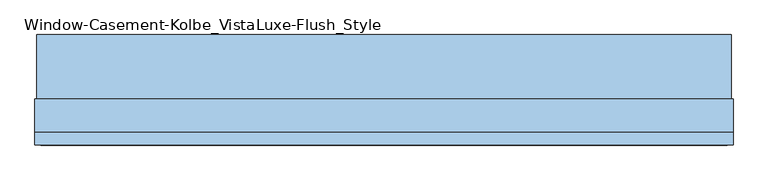
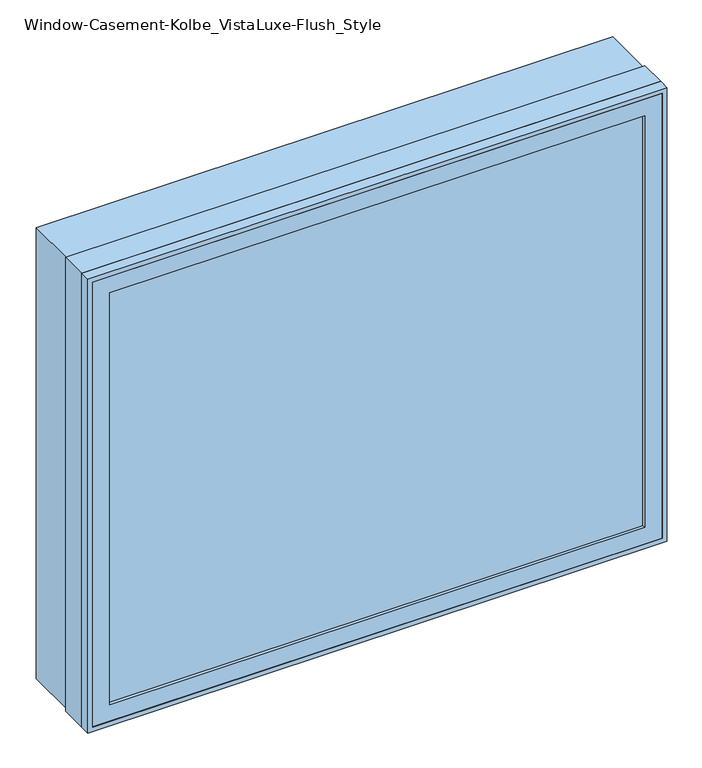
"""IFC4 building model written with IfcOpenShell, lengths in millimetres: window geometry, Window-Casement-Kolbe_VistaLuxe-Flush_Style."""

import ifcopenshell
import ifcopenshell.guid

model = None  # the IFC model being written
_history = None  # IfcOwnerHistory: only IFC2X3 demands one
_inside = {}  # id of a spatial element -> (the spatial element, [elements in it])
_under = {}  # id of a project, library or spatial element -> (it, [spatial elements below it])
_declared = {}  # id of a project -> (the project, [libraries it declares])
_typed = {}  # id of a type object -> (the type object, [elements of that type])
_made_of = {}  # id of a material, layer set ... -> (it, [elements and type objects made of it])


def new_model(schema):
    """Start an empty IFC model of exactly this schema.

    Asked for "IFC4X3", IfcOpenShell would pick the latest addendum, in which some entities
    have other attributes; the version numbers below select the first issue.
    IFC2X3 requires an IfcOwnerHistory on every rooted entity: one is made here for all.
    """
    global model, _history
    if schema == "IFC4X3":
        model = ifcopenshell.file(schema_version=(4, 3, 0, 0))
    else:
        model = ifcopenshell.file(schema=schema)
    _inside.clear()
    _under.clear()
    _declared.clear()
    _typed.clear()
    _made_of.clear()
    _history = None
    if model.schema == "IFC2X3":
        org = make("IfcOrganization", Name="unknown")
        user = make(
            "IfcPersonAndOrganization",
            ThePerson=make("IfcPerson", FamilyName="unknown"),
            TheOrganization=org,
        )
        app = make(
            "IfcApplication",
            ApplicationDeveloper=org,
            Version="unknown",
            ApplicationFullName="unknown",
            ApplicationIdentifier="unknown",
        )
        _history = make(
            "IfcOwnerHistory",
            OwningUser=user,
            OwningApplication=app,
            ChangeAction="ADDED",
            CreationDate=0,
        )
    return model


def make(cls, **values):
    """One entity of the class cls with the attributes given. An attribute that is None is left unset."""
    return model.create_entity(
        cls, **{name: value for name, value in values.items() if value is not None}
    )


def rooted(cls, **values):
    """An entity with a GlobalId (a new one), such as an element, a storey or a relation."""
    return make(cls, GlobalId=ifcopenshell.guid.new(), OwnerHistory=_history, **values)


def si_unit(unit_type, name, prefix=None):
    """IfcSIUnit, for example si_unit("LENGTHUNIT", "METRE", prefix="MILLI")."""
    return make("IfcSIUnit", UnitType=unit_type, Prefix=prefix, Name=name)


def assignment(units):
    """IfcUnitAssignment: the units of a project."""
    return None if units is None else make("IfcUnitAssignment", Units=units)


def point(xyz):
    """IfcCartesianPoint."""
    return None if xyz is None else make("IfcCartesianPoint", Coordinates=xyz)


def direction(xyz):
    """IfcDirection."""
    return None if xyz is None else make("IfcDirection", DirectionRatios=xyz)


def frame(location, z_axis=None, x_axis=None):
    """IfcAxis2Placement3D, a coordinate frame: its origin and axes. An axis left out is left unset."""
    return make(
        "IfcAxis2Placement3D",
        Location=point(location),
        Axis=direction(z_axis),
        RefDirection=direction(x_axis),
    )


def origin():
    """The frame at (0, 0, 0) with its axes left unset."""
    return frame((0.0, 0.0, 0.0))


def place(relative_to, where):
    """IfcLocalPlacement: puts the frame where relative to a parent placement (None: the world)."""
    return make(
        "IfcLocalPlacement", PlacementRelTo=relative_to, RelativePlacement=where
    )


def context(
    kind, dimensions, precision=None, world=None, true_north=None, identifier=None
):
    """IfcGeometricRepresentationContext, for example the 3D "Model" context."""
    return make(
        "IfcGeometricRepresentationContext",
        ContextIdentifier=identifier,
        ContextType=kind,
        CoordinateSpaceDimension=dimensions,
        Precision=precision,
        WorldCoordinateSystem=world,
        TrueNorth=true_north,
    )


def project(units=None, contexts=None):
    """IfcProject with its units and contexts."""
    return rooted(
        "IfcProject",
        Name="project",
        RepresentationContexts=contexts,
        UnitsInContext=assignment(units),
    )


def spatial(cls, under=None, at=None, **own):
    """A site, building, storey or space (cls), placed at a placement, below another one or the project."""
    s = rooted(cls, ObjectPlacement=at, **own)
    if under is not None:
        _under.setdefault(under.id(), (under, []))[1].append(s)
    return s


def polyline(points):
    """IfcPolyline through the points."""
    return make("IfcPolyline", Points=[point(p) for p in points])


def outline(outer, holes=None, kind="AREA"):
    """IfcArbitraryClosedProfileDef: a profile drawn as a closed curve; with holes, ...WithVoids."""
    if holes is None:
        return make("IfcArbitraryClosedProfileDef", ProfileType=kind, OuterCurve=outer)
    return make(
        "IfcArbitraryProfileDefWithVoids",
        ProfileType=kind,
        OuterCurve=outer,
        InnerCurves=holes,
    )


def extrude(swept, where, along, depth):
    """IfcExtrudedAreaSolid: the profile swept, set in the frame where, extruded along a direction by depth."""
    return make(
        "IfcExtrudedAreaSolid",
        SweptArea=swept,
        Position=where,
        ExtrudedDirection=direction(along),
        Depth=depth,
    )


def faces_of(points, faces, orient=None, outer=None):
    """IfcFace entities. A face is a list of loops; a loop is a list of indices into points, from 0.

    orient and outer hold one flag for each loop. By default every Orientation is true, the
    first loop of a face is its IfcFaceOuterBound and the others are IfcFaceBound.
    """
    made = []
    for i, loops in enumerate(faces):
        bounds = []
        for j, loop in enumerate(loops):
            is_outer = j == 0 if outer is None else outer[i][j]
            bounds.append(
                make(
                    "IfcFaceOuterBound" if is_outer else "IfcFaceBound",
                    Bound=make("IfcPolyLoop", Polygon=[points[k] for k in loop]),
                    Orientation=True if orient is None else orient[i][j],
                )
            )
        made.append(make("IfcFace", Bounds=bounds))
    return made


def faceted_brep(points, faces, orient=None, outer=None, voids=None):
    """IfcFacetedBrep: a solid bounded by flat faces; with voids (closed shells), ...WithVoids."""
    shared = [point(p) for p in points]
    hull = make("IfcClosedShell", CfsFaces=faces_of(shared, faces, orient, outer))
    if voids is None:
        return make("IfcFacetedBrep", Outer=hull)
    return make(
        "IfcFacetedBrepWithVoids",
        Outer=hull,
        Voids=[
            make(cls, CfsFaces=faces_of(shared, fs, o, b)) for cls, fs, o, b in voids
        ],
    )


def shape(context_of_items, identifier, shape_type, items):
    """IfcShapeRepresentation: the items that make up one representation, for example the "Body"."""
    return make(
        "IfcShapeRepresentation",
        ContextOfItems=context_of_items,
        RepresentationIdentifier=identifier,
        RepresentationType=shape_type,
        Items=items,
    )


def source(mapping_origin, context_of_items, identifier, shape_type, items):
    """IfcRepresentationMap: a shape defined once, which mapped items show again and again."""
    return make(
        "IfcRepresentationMap",
        MappingOrigin=mapping_origin,
        MappedRepresentation=shape(context_of_items, identifier, shape_type, items),
    )


def transform(
    local_origin,
    x_axis=None,
    y_axis=None,
    z_axis=None,
    scale=None,
    scale2=None,
    scale3=None,
    uniform=True,
):
    """IfcCartesianTransformationOperator3D, or its non-uniform kind. x_axis, y_axis, z_axis: its Axis1, 2, 3."""
    if uniform:
        return make(
            "IfcCartesianTransformationOperator3D",
            Axis1=direction(x_axis),
            Axis2=direction(y_axis),
            LocalOrigin=point(local_origin),
            Scale=scale,
            Axis3=direction(z_axis),
        )
    return make(
        "IfcCartesianTransformationOperator3DnonUniform",
        Axis1=direction(x_axis),
        Axis2=direction(y_axis),
        LocalOrigin=point(local_origin),
        Scale=scale,
        Axis3=direction(z_axis),
        Scale2=scale2,
        Scale3=scale3,
    )


def mapped(mapping_source, mapping_target):
    """IfcMappedItem: shows the shape of a source again, moved by a transform."""
    return make(
        "IfcMappedItem", MappingSource=mapping_source, MappingTarget=mapping_target
    )


def made_of(thing, what):
    """Note that an element or type object is made of a material, layer set ...; save() writes the relation."""
    if what is not None:
        _made_of.setdefault(what.id(), (what, []))[1].append(thing)
    return thing


def element(
    cls,
    number,
    at=None,
    inside=None,
    cuts=None,
    type_object=None,
    material=None,
    context=None,
    identifier="Body",
    shape_type=None,
    held_by="IfcProductDefinitionShape",
    body=None,
    shapes=None,
    **own,
):
    """One element of the class cls, such as IfcWall. Its Tag is "e" and its number.

    at: its placement. inside: the storey or other place that contains it. cuts: it is an
    opening in that element (IfcRelVoidsElement). A single representation is given by context,
    identifier, shape_type and body (its items); several are given by shapes. held_by: the class
    of the entity that holds the representations. save() writes the other relations.
    """
    e = rooted(cls, Tag="e%d" % number, ObjectPlacement=at, **own)
    if body is not None:
        shapes = [shape(context, identifier, shape_type, body)]
    if shapes is not None:
        e.Representation = make(held_by, Representations=shapes)
    if inside is not None:
        _inside.setdefault(inside.id(), (inside, []))[1].append(e)
    if cuts is not None:
        rooted(
            "IfcRelVoidsElement", RelatingBuildingElement=cuts, RelatedOpeningElement=e
        )
    if type_object is not None:
        _typed.setdefault(type_object.id(), (type_object, []))[1].append(e)
    return made_of(e, material)


def aggregate(whole, parts):
    """IfcRelAggregates: a whole, such as a stair, and the parts it consists of."""
    return rooted("IfcRelAggregates", RelatingObject=whole, RelatedObjects=parts)


def save(model, path):
    """Write the relations noted so far, then the file.

    IfcRelAggregates (storeys below a building ...), IfcRelContainedInSpatialStructure (elements
    in a storey), IfcRelDefinesByType, IfcRelAssociatesMaterial and IfcRelDeclares: one each for
    every whole, place, type object, material and project.
    """
    for whole, parts in _under.values():
        aggregate(whole, parts)
    for where, things in _inside.values():
        rooted(
            "IfcRelContainedInSpatialStructure",
            RelatedElements=things,
            RelatingStructure=where,
        )
    for kind, things in _typed.values():
        rooted("IfcRelDefinesByType", RelatedObjects=things, RelatingType=kind)
    for what, things in _made_of.values():
        rooted("IfcRelAssociatesMaterial", RelatedObjects=things, RelatingMaterial=what)
    for by, libraries in _declared.values():
        rooted("IfcRelDeclares", RelatingContext=by, RelatedDefinitions=libraries)
    model.write(path)


def window_casement_kolbe_vistaluxe_flush_style_1ef7d9d4(model_context):
    return source(origin(), model_context, "Body", "SolidModel", [
        faceted_brep([(-685.8696599, -121.37898, 970.676875), (-685.8696599, -129.31648, 970.676875), (674.7765901, -129.31648, 970.676875), (674.7765901, -121.37898, 970.676875), (-701.7446599, -99.12858, 954.801875), (-701.7446599, -121.37898, 954.801875), (690.6515901, -121.37898, 954.801875), (690.6515901, -99.12858, 954.801875), (-685.8696599, -80.10398, 970.676875), (-685.8696599, -99.12858, 970.676875), (674.7765901, -99.12858, 970.676875), (674.7765901, -80.10398, 970.676875), (-730.3196599, -129.31648, 926.226875), (-730.3196599, -80.10398, 926.226875), (719.2265901, -80.10398, 926.226875), (719.2265901, -129.31648, 926.226875), (674.7765901, -129.31648, 2077.323125), (674.7765901, -121.37898, 2077.323125), (690.6515901, -121.37898, 2093.198125), (690.6515901, -99.12858, 2093.198125), (674.7765901, -99.12858, 2077.323125), (674.7765901, -80.10398, 2077.323125), (719.2265901, -80.10398, 2121.773125), (719.2265901, -129.31648, 2121.773125), (-685.8696599, -129.31648, 2077.323125), (-685.8696599, -121.37898, 2077.323125), (-701.7446599, -121.37898, 2093.198125), (-701.7446599, -99.12858, 2093.198125), (-685.8696599, -99.12858, 2077.323125), (-685.8696599, -80.10398, 2077.323125), (-730.3196599, -80.10398, 2121.773125), (-730.3196599, -129.31648, 2121.773125)], [[[0, 1, 2, 3]], [[4, 5, 6, 7]], [[8, 9, 10, 11]], [[12, 13, 14, 15]], [[3, 2, 16, 17]], [[7, 6, 18, 19]], [[11, 10, 20, 21]], [[15, 14, 22, 23]], [[17, 16, 24, 25]], [[19, 18, 26, 27]], [[21, 20, 28, 29]], [[23, 22, 30, 31]], [[25, 24, 1, 0]], [[5, 26, 18, 6], [3, 17, 25, 0]], [[27, 26, 5, 4]], [[7, 19, 27, 4], [9, 28, 20, 10]], [[29, 28, 9, 8]], [[13, 30, 22, 14], [11, 21, 29, 8]], [[31, 30, 13, 12]], [[15, 23, 31, 12], [1, 24, 16, 2]]]),
        extrude(outline(polyline([(2130.0186, 727.4720651), (2130.0186, -738.5651349), (917.9814, -738.5651349), (917.9814, 727.4720651), (2130.0186, 727.4720651)]), holes=[polyline([(936.545625, 708.9078401), (936.545625, -720.0009099), (2111.454375, -720.0009099), (2111.454375, 708.9078401), (936.545625, 708.9078401)])]), frame((0.0, -32.5247, 0.0), z_axis=(0.0, 1.0, 0.0), x_axis=(0.0, 0.0, 1.0)), (0.0, 0.0, 1.0), 135.7122),
        extrude(outline(polyline([(2133.6, -742.1465349), (914.4, -742.1465349), (914.4, 731.0534651), (2133.6, 731.0534651), (2133.6, -742.1465349)]), holes=[polyline([(2121.773125, 719.2265901), (926.226875, 719.2265901), (926.226875, -730.3196599), (2121.773125, -730.3196599), (2121.773125, 719.2265901)])]), frame((0.0, -130.1115, 0.0), z_axis=(0.0, 1.0, 0.0), x_axis=(0.0, 0.0, 1.0)), (0.0, 0.0, 1.0), 26.924),
        faceted_brep([(731.0534651, -32.5247, 914.4), (731.0534651, -103.1875, 914.4), (-742.1465349, -103.1875, 914.4), (-742.1465349, -32.5247, 914.4), (708.9078401, -80.10525, 936.545625), (708.9078401, -32.5247, 936.545625), (-720.0009099, -32.5247, 936.545625), (-720.0009099, -80.10525, 936.545625), (719.2265901, -103.1875, 926.226875), (719.2265901, -80.10525, 926.226875), (-730.3196599, -80.10525, 926.226875), (-730.3196599, -103.1875, 926.226875), (-742.1465349, -103.1875, 2133.6), (-742.1465349, -32.5247, 2133.6), (-720.0009099, -32.5247, 2111.454375), (-720.0009099, -80.10525, 2111.454375), (-730.3196599, -80.10525, 2121.773125), (-730.3196599, -103.1875, 2121.773125), (731.0534651, -103.1875, 2133.6), (731.0534651, -32.5247, 2133.6), (708.9078401, -32.5247, 2111.454375), (708.9078401, -80.10525, 2111.454375), (719.2265901, -80.10525, 2121.773125), (719.2265901, -103.1875, 2121.773125)], [[[0, 1, 2, 3]], [[4, 5, 6, 7]], [[8, 9, 10, 11]], [[3, 2, 12, 13]], [[7, 6, 14, 15]], [[11, 10, 16, 17]], [[13, 12, 18, 19]], [[15, 14, 20, 21]], [[17, 16, 22, 23]], [[19, 18, 1, 0]], [[3, 13, 19, 0], [5, 20, 14, 6]], [[21, 20, 5, 4]], [[9, 22, 16, 10], [7, 15, 21, 4]], [[23, 22, 9, 8]], [[1, 18, 12, 2], [11, 17, 23, 8]]]),
        extrude(outline(polyline([(687.4765901, -102.30358), (-698.5696599, -102.30358), (-698.5696599, -99.12858), (687.4765901, -99.12858), (687.4765901, -102.30358)])), frame((0.0, 0.0, 957.976875), z_axis=(0.0, 0.0, 1.0), x_axis=(1.0, 0.0, 0.0)), (0.0, 0.0, 1.0), 1132.04625),
        extrude(outline(polyline([(687.4765901, -118.20398), (687.4765901, -121.37898), (-698.5696599, -121.37898), (-698.5696599, -118.20398), (687.4765901, -118.20398)])), frame((0.0, 0.0, 957.976875), z_axis=(0.0, 0.0, 1.0), x_axis=(1.0, 0.0, 0.0)), (0.0, 0.0, 1.0), 1132.04625),
        extrude(outline(polyline([(936.545625, 708.9078401), (2111.454375, 708.9078401), (2111.454375, -720.0009099), (936.545625, -720.0009099), (936.545625, 708.9078401)]), holes=[polyline([(954.801875, -701.7446599), (2093.198125, -701.7446599), (2093.198125, 690.6515901), (954.801875, 690.6515901), (954.801875, -701.7446599)])]), frame((0.0, -80.10525, 0.0), z_axis=(0.0, 1.0, 0.0), x_axis=(0.0, 0.0, 1.0)), (0.0, 0.0, 1.0), 50.8),
    ])


if __name__ == "__main__":
    model = new_model("IFC4")
    model_context = context("Model", 3, world=origin())
    ifc_project = project(units=[si_unit("LENGTHUNIT", "METRE", prefix="MILLI")], contexts=[model_context])
    site = spatial("IfcSite", under=ifc_project)
    building = spatial("IfcBuilding", under=site)
    placement = place(None, origin())
    window_casement_kolbe_vistaluxe_flush_style_shape = window_casement_kolbe_vistaluxe_flush_style_1ef7d9d4(model_context)
    element("IfcWindow", 1, ObjectType="Window-Casement-Kolbe_VistaLuxe-Flush_Style", at=placement, inside=building, context=model_context, shape_type="MappedRepresentation", body=[
        mapped(window_casement_kolbe_vistaluxe_flush_style_shape, transform((0.0, 0.0, 0.0), x_axis=(1.0, 0.0, 0.0), y_axis=(0.0, 1.0, 0.0), z_axis=(0.0, 0.0, 1.0))),
    ])
    save(model, "model.ifc")
